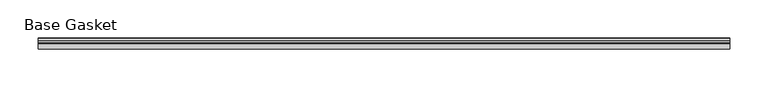
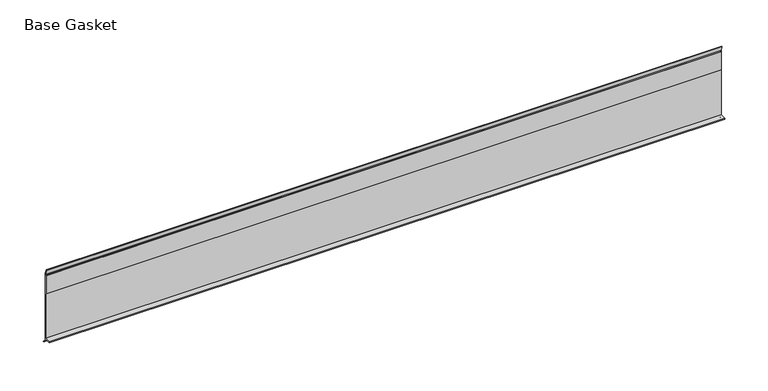
"""IFC4 building model written with IfcOpenShell, lengths in millimetres: furniture geometry, Base Gasket."""

import ifcopenshell
import ifcopenshell.guid

model = None  # the IFC model being written
_history = None  # IfcOwnerHistory: only IFC2X3 demands one
_inside = {}  # id of a spatial element -> (the spatial element, [elements in it])
_under = {}  # id of a project, library or spatial element -> (it, [spatial elements below it])
_declared = {}  # id of a project -> (the project, [libraries it declares])
_typed = {}  # id of a type object -> (the type object, [elements of that type])
_made_of = {}  # id of a material, layer set ... -> (it, [elements and type objects made of it])


def new_model(schema):
    """Start an empty IFC model of exactly this schema.

    Asked for "IFC4X3", IfcOpenShell would pick the latest addendum, in which some entities
    have other attributes; the version numbers below select the first issue.
    IFC2X3 requires an IfcOwnerHistory on every rooted entity: one is made here for all.
    """
    global model, _history
    if schema == "IFC4X3":
        model = ifcopenshell.file(schema_version=(4, 3, 0, 0))
    else:
        model = ifcopenshell.file(schema=schema)
    _inside.clear()
    _under.clear()
    _declared.clear()
    _typed.clear()
    _made_of.clear()
    _history = None
    if model.schema == "IFC2X3":
        org = make("IfcOrganization", Name="unknown")
        user = make(
            "IfcPersonAndOrganization",
            ThePerson=make("IfcPerson", FamilyName="unknown"),
            TheOrganization=org,
        )
        app = make(
            "IfcApplication",
            ApplicationDeveloper=org,
            Version="unknown",
            ApplicationFullName="unknown",
            ApplicationIdentifier="unknown",
        )
        _history = make(
            "IfcOwnerHistory",
            OwningUser=user,
            OwningApplication=app,
            ChangeAction="ADDED",
            CreationDate=0,
        )
    return model


def make(cls, **values):
    """One entity of the class cls with the attributes given. An attribute that is None is left unset."""
    return model.create_entity(
        cls, **{name: value for name, value in values.items() if value is not None}
    )


def rooted(cls, **values):
    """An entity with a GlobalId (a new one), such as an element, a storey or a relation."""
    return make(cls, GlobalId=ifcopenshell.guid.new(), OwnerHistory=_history, **values)


def si_unit(unit_type, name, prefix=None):
    """IfcSIUnit, for example si_unit("LENGTHUNIT", "METRE", prefix="MILLI")."""
    return make("IfcSIUnit", UnitType=unit_type, Prefix=prefix, Name=name)


def assignment(units):
    """IfcUnitAssignment: the units of a project."""
    return None if units is None else make("IfcUnitAssignment", Units=units)


def point(xyz):
    """IfcCartesianPoint."""
    return None if xyz is None else make("IfcCartesianPoint", Coordinates=xyz)


def direction(xyz):
    """IfcDirection."""
    return None if xyz is None else make("IfcDirection", DirectionRatios=xyz)


def frame(location, z_axis=None, x_axis=None):
    """IfcAxis2Placement3D, a coordinate frame: its origin and axes. An axis left out is left unset."""
    return make(
        "IfcAxis2Placement3D",
        Location=point(location),
        Axis=direction(z_axis),
        RefDirection=direction(x_axis),
    )


def origin():
    """The frame at (0, 0, 0) with its axes left unset."""
    return frame((0.0, 0.0, 0.0))


def place(relative_to, where):
    """IfcLocalPlacement: puts the frame where relative to a parent placement (None: the world)."""
    return make(
        "IfcLocalPlacement", PlacementRelTo=relative_to, RelativePlacement=where
    )


def context(
    kind, dimensions, precision=None, world=None, true_north=None, identifier=None
):
    """IfcGeometricRepresentationContext, for example the 3D "Model" context."""
    return make(
        "IfcGeometricRepresentationContext",
        ContextIdentifier=identifier,
        ContextType=kind,
        CoordinateSpaceDimension=dimensions,
        Precision=precision,
        WorldCoordinateSystem=world,
        TrueNorth=true_north,
    )


def project(units=None, contexts=None):
    """IfcProject with its units and contexts."""
    return rooted(
        "IfcProject",
        Name="project",
        RepresentationContexts=contexts,
        UnitsInContext=assignment(units),
    )


def spatial(cls, under=None, at=None, **own):
    """A site, building, storey or space (cls), placed at a placement, below another one or the project."""
    s = rooted(cls, ObjectPlacement=at, **own)
    if under is not None:
        _under.setdefault(under.id(), (under, []))[1].append(s)
    return s


def polyline(points):
    """IfcPolyline through the points."""
    return make("IfcPolyline", Points=[point(p) for p in points])


def outline(outer, holes=None, kind="AREA"):
    """IfcArbitraryClosedProfileDef: a profile drawn as a closed curve; with holes, ...WithVoids."""
    if holes is None:
        return make("IfcArbitraryClosedProfileDef", ProfileType=kind, OuterCurve=outer)
    return make(
        "IfcArbitraryProfileDefWithVoids",
        ProfileType=kind,
        OuterCurve=outer,
        InnerCurves=holes,
    )


def extrude(swept, where, along, depth):
    """IfcExtrudedAreaSolid: the profile swept, set in the frame where, extruded along a direction by depth."""
    return make(
        "IfcExtrudedAreaSolid",
        SweptArea=swept,
        Position=where,
        ExtrudedDirection=direction(along),
        Depth=depth,
    )


def shape(context_of_items, identifier, shape_type, items):
    """IfcShapeRepresentation: the items that make up one representation, for example the "Body"."""
    return make(
        "IfcShapeRepresentation",
        ContextOfItems=context_of_items,
        RepresentationIdentifier=identifier,
        RepresentationType=shape_type,
        Items=items,
    )


def source(mapping_origin, context_of_items, identifier, shape_type, items):
    """IfcRepresentationMap: a shape defined once, which mapped items show again and again."""
    return make(
        "IfcRepresentationMap",
        MappingOrigin=mapping_origin,
        MappedRepresentation=shape(context_of_items, identifier, shape_type, items),
    )


def transform(
    local_origin,
    x_axis=None,
    y_axis=None,
    z_axis=None,
    scale=None,
    scale2=None,
    scale3=None,
    uniform=True,
):
    """IfcCartesianTransformationOperator3D, or its non-uniform kind. x_axis, y_axis, z_axis: its Axis1, 2, 3."""
    if uniform:
        return make(
            "IfcCartesianTransformationOperator3D",
            Axis1=direction(x_axis),
            Axis2=direction(y_axis),
            LocalOrigin=point(local_origin),
            Scale=scale,
            Axis3=direction(z_axis),
        )
    return make(
        "IfcCartesianTransformationOperator3DnonUniform",
        Axis1=direction(x_axis),
        Axis2=direction(y_axis),
        LocalOrigin=point(local_origin),
        Scale=scale,
        Axis3=direction(z_axis),
        Scale2=scale2,
        Scale3=scale3,
    )


def mapped(mapping_source, mapping_target):
    """IfcMappedItem: shows the shape of a source again, moved by a transform."""
    return make(
        "IfcMappedItem", MappingSource=mapping_source, MappingTarget=mapping_target
    )


def made_of(thing, what):
    """Note that an element or type object is made of a material, layer set ...; save() writes the relation."""
    if what is not None:
        _made_of.setdefault(what.id(), (what, []))[1].append(thing)
    return thing


def element(
    cls,
    number,
    at=None,
    inside=None,
    cuts=None,
    type_object=None,
    material=None,
    context=None,
    identifier="Body",
    shape_type=None,
    held_by="IfcProductDefinitionShape",
    body=None,
    shapes=None,
    **own,
):
    """One element of the class cls, such as IfcWall. Its Tag is "e" and its number.

    at: its placement. inside: the storey or other place that contains it. cuts: it is an
    opening in that element (IfcRelVoidsElement). A single representation is given by context,
    identifier, shape_type and body (its items); several are given by shapes. held_by: the class
    of the entity that holds the representations. save() writes the other relations.
    """
    e = rooted(cls, Tag="e%d" % number, ObjectPlacement=at, **own)
    if body is not None:
        shapes = [shape(context, identifier, shape_type, body)]
    if shapes is not None:
        e.Representation = make(held_by, Representations=shapes)
    if inside is not None:
        _inside.setdefault(inside.id(), (inside, []))[1].append(e)
    if cuts is not None:
        rooted(
            "IfcRelVoidsElement", RelatingBuildingElement=cuts, RelatedOpeningElement=e
        )
    if type_object is not None:
        _typed.setdefault(type_object.id(), (type_object, []))[1].append(e)
    return made_of(e, material)


def aggregate(whole, parts):
    """IfcRelAggregates: a whole, such as a stair, and the parts it consists of."""
    return rooted("IfcRelAggregates", RelatingObject=whole, RelatedObjects=parts)


def save(model, path):
    """Write the relations noted so far, then the file.

    IfcRelAggregates (storeys below a building ...), IfcRelContainedInSpatialStructure (elements
    in a storey), IfcRelDefinesByType, IfcRelAssociatesMaterial and IfcRelDeclares: one each for
    every whole, place, type object, material and project.
    """
    for whole, parts in _under.values():
        aggregate(whole, parts)
    for where, things in _inside.values():
        rooted(
            "IfcRelContainedInSpatialStructure",
            RelatedElements=things,
            RelatingStructure=where,
        )
    for kind, things in _typed.values():
        rooted("IfcRelDefinesByType", RelatedObjects=things, RelatingType=kind)
    for what, things in _made_of.values():
        rooted("IfcRelAssociatesMaterial", RelatedObjects=things, RelatingMaterial=what)
    for by, libraries in _declared.values():
        rooted("IfcRelDeclares", RelatingContext=by, RelatedDefinitions=libraries)
    model.write(path)


def base_gasket_183e3bff(model_context):
    return source(origin(), model_context, "Body", "SweptSolid", [
        extrude(outline(polyline([(3.7283812, 98.4568417), (3.7283812, 4.3498477), (7.4222115, 0.6560174), (7.8482342, 0.0), (6.8281054, 0.3520979), (2.2043812, 4.3498477), (2.1334222, 6.3818476), (-6.2405171, 6.3818476), (-6.2405171, 7.9398773), (2.2043812, 7.9398773), (2.2043812, 71.4693447), (1.4106313, 71.4693447), (1.4106313, 96.8693477), (2.2043812, 96.8693477), (2.2043812, 98.4568417), (0.6755308, 104.4162708), (0.6755308, 105.2002997), (1.1891543, 104.587663), (3.7283812, 98.4568417)])), frame((-1527.8982117, 0.0, 0.0), z_axis=(1.0, 0.0, 0.0), x_axis=(0.0, 1.0, 0.0)), (0.0, 0.0, 1.0), 901.5681744),
    ])


if __name__ == "__main__":
    model = new_model("IFC4")
    model_context = context("Model", 3, world=origin())
    ifc_project = project(units=[si_unit("LENGTHUNIT", "METRE", prefix="MILLI")], contexts=[model_context])
    site = spatial("IfcSite", under=ifc_project)
    building = spatial("IfcBuilding", under=site)
    placement = place(None, origin())
    base_gasket_shape = base_gasket_183e3bff(model_context)
    element("IfcFurniture", 1, ObjectType="Base Gasket", at=placement, inside=building, context=model_context, shape_type="MappedRepresentation", body=[
        mapped(base_gasket_shape, transform((0.0, 0.0, 0.0), x_axis=(1.0, 0.0, 0.0), y_axis=(0.0, 1.0, 0.0), z_axis=(0.0, 0.0, 1.0))),
    ])
    save(model, "model.ifc")
